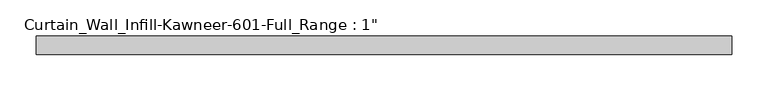
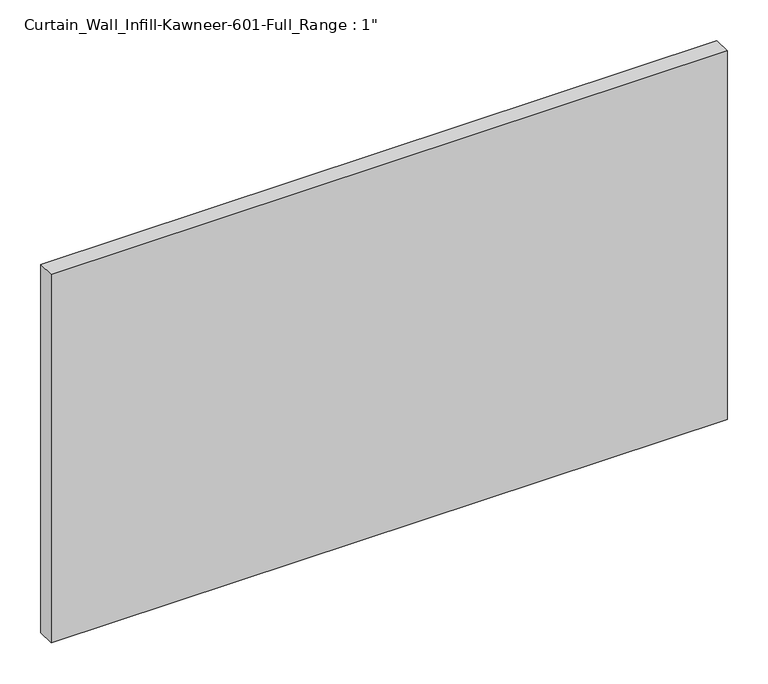
"""IFC4 building model written with IfcOpenShell, lengths in millimetres: plate geometry."""

from ifc_helpers import new_model, si_unit, origin, origin_with_axes, place, context, project, spatial, polyline, outline, extrude, source, transform, mapped, element, save


def plate_38a163ad(model_context):
    return source(origin(), model_context, "Body", "SweptSolid", [
        extrude(outline(polyline([(-479.425, -12.7), (-479.425, 12.7), (479.425, 12.7), (479.425, -12.7), (-479.425, -12.7)])), origin_with_axes(), (0.0, 0.0, 1.0), 552.45),
    ])


if __name__ == "__main__":
    model = new_model("IFC4")
    model_context = context("Model", 3, world=origin())
    ifc_project = project(units=[si_unit("LENGTHUNIT", "METRE", prefix="MILLI")], contexts=[model_context])
    site = spatial("IfcSite", under=ifc_project)
    building = spatial("IfcBuilding", under=site)
    placement = place(None, origin())
    plate_shape = plate_38a163ad(model_context)
    element("IfcPlate", 1, ObjectType="Curtain_Wall_Infill-Kawneer-601-Full_Range : 1\"", at=placement, inside=building, context=model_context, shape_type="MappedRepresentation", body=[
        mapped(plate_shape, transform((0.0, 0.0, 0.0), x_axis=(1.0, 0.0, 0.0), y_axis=(0.0, 1.0, 0.0), z_axis=(0.0, 0.0, 1.0))),
    ])
    save(model, "model.ifc")
